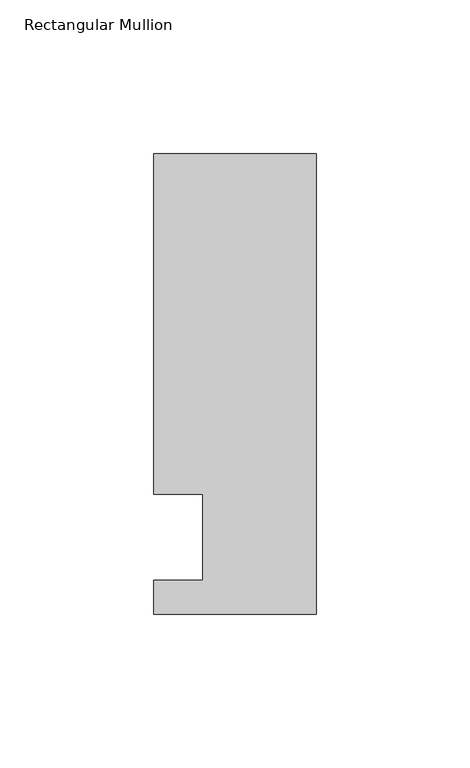
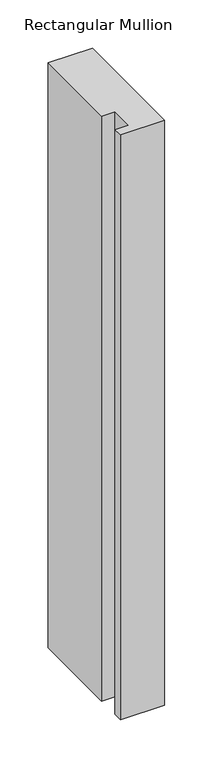
"""IFC4 building model written with IfcOpenShell, lengths in millimetres: member geometry, Rectangular Mullion."""

import ifcopenshell
import ifcopenshell.guid

model = None  # the IFC model being written
_history = None  # IfcOwnerHistory: only IFC2X3 demands one
_inside = {}  # id of a spatial element -> (the spatial element, [elements in it])
_under = {}  # id of a project, library or spatial element -> (it, [spatial elements below it])
_declared = {}  # id of a project -> (the project, [libraries it declares])
_typed = {}  # id of a type object -> (the type object, [elements of that type])
_made_of = {}  # id of a material, layer set ... -> (it, [elements and type objects made of it])


def new_model(schema):
    """Start an empty IFC model of exactly this schema.

    Asked for "IFC4X3", IfcOpenShell would pick the latest addendum, in which some entities
    have other attributes; the version numbers below select the first issue.
    IFC2X3 requires an IfcOwnerHistory on every rooted entity: one is made here for all.
    """
    global model, _history
    if schema == "IFC4X3":
        model = ifcopenshell.file(schema_version=(4, 3, 0, 0))
    else:
        model = ifcopenshell.file(schema=schema)
    _inside.clear()
    _under.clear()
    _declared.clear()
    _typed.clear()
    _made_of.clear()
    _history = None
    if model.schema == "IFC2X3":
        org = make("IfcOrganization", Name="unknown")
        user = make(
            "IfcPersonAndOrganization",
            ThePerson=make("IfcPerson", FamilyName="unknown"),
            TheOrganization=org,
        )
        app = make(
            "IfcApplication",
            ApplicationDeveloper=org,
            Version="unknown",
            ApplicationFullName="unknown",
            ApplicationIdentifier="unknown",
        )
        _history = make(
            "IfcOwnerHistory",
            OwningUser=user,
            OwningApplication=app,
            ChangeAction="ADDED",
            CreationDate=0,
        )
    return model


def make(cls, **values):
    """One entity of the class cls with the attributes given. An attribute that is None is left unset."""
    return model.create_entity(
        cls, **{name: value for name, value in values.items() if value is not None}
    )


def rooted(cls, **values):
    """An entity with a GlobalId (a new one), such as an element, a storey or a relation."""
    return make(cls, GlobalId=ifcopenshell.guid.new(), OwnerHistory=_history, **values)


def si_unit(unit_type, name, prefix=None):
    """IfcSIUnit, for example si_unit("LENGTHUNIT", "METRE", prefix="MILLI")."""
    return make("IfcSIUnit", UnitType=unit_type, Prefix=prefix, Name=name)


def assignment(units):
    """IfcUnitAssignment: the units of a project."""
    return None if units is None else make("IfcUnitAssignment", Units=units)


def point(xyz):
    """IfcCartesianPoint."""
    return None if xyz is None else make("IfcCartesianPoint", Coordinates=xyz)


def direction(xyz):
    """IfcDirection."""
    return None if xyz is None else make("IfcDirection", DirectionRatios=xyz)


def frame(location, z_axis=None, x_axis=None):
    """IfcAxis2Placement3D, a coordinate frame: its origin and axes. An axis left out is left unset."""
    return make(
        "IfcAxis2Placement3D",
        Location=point(location),
        Axis=direction(z_axis),
        RefDirection=direction(x_axis),
    )


def origin():
    """The frame at (0, 0, 0) with its axes left unset."""
    return frame((0.0, 0.0, 0.0))


def place(relative_to, where):
    """IfcLocalPlacement: puts the frame where relative to a parent placement (None: the world)."""
    return make(
        "IfcLocalPlacement", PlacementRelTo=relative_to, RelativePlacement=where
    )


def context(
    kind, dimensions, precision=None, world=None, true_north=None, identifier=None
):
    """IfcGeometricRepresentationContext, for example the 3D "Model" context."""
    return make(
        "IfcGeometricRepresentationContext",
        ContextIdentifier=identifier,
        ContextType=kind,
        CoordinateSpaceDimension=dimensions,
        Precision=precision,
        WorldCoordinateSystem=world,
        TrueNorth=true_north,
    )


def project(units=None, contexts=None):
    """IfcProject with its units and contexts."""
    return rooted(
        "IfcProject",
        Name="project",
        RepresentationContexts=contexts,
        UnitsInContext=assignment(units),
    )


def spatial(cls, under=None, at=None, **own):
    """A site, building, storey or space (cls), placed at a placement, below another one or the project."""
    s = rooted(cls, ObjectPlacement=at, **own)
    if under is not None:
        _under.setdefault(under.id(), (under, []))[1].append(s)
    return s


def polyline(points):
    """IfcPolyline through the points."""
    return make("IfcPolyline", Points=[point(p) for p in points])


def outline(outer, holes=None, kind="AREA"):
    """IfcArbitraryClosedProfileDef: a profile drawn as a closed curve; with holes, ...WithVoids."""
    if holes is None:
        return make("IfcArbitraryClosedProfileDef", ProfileType=kind, OuterCurve=outer)
    return make(
        "IfcArbitraryProfileDefWithVoids",
        ProfileType=kind,
        OuterCurve=outer,
        InnerCurves=holes,
    )


def extrude(swept, where, along, depth):
    """IfcExtrudedAreaSolid: the profile swept, set in the frame where, extruded along a direction by depth."""
    return make(
        "IfcExtrudedAreaSolid",
        SweptArea=swept,
        Position=where,
        ExtrudedDirection=direction(along),
        Depth=depth,
    )


def shape(context_of_items, identifier, shape_type, items):
    """IfcShapeRepresentation: the items that make up one representation, for example the "Body"."""
    return make(
        "IfcShapeRepresentation",
        ContextOfItems=context_of_items,
        RepresentationIdentifier=identifier,
        RepresentationType=shape_type,
        Items=items,
    )


def source(mapping_origin, context_of_items, identifier, shape_type, items):
    """IfcRepresentationMap: a shape defined once, which mapped items show again and again."""
    return make(
        "IfcRepresentationMap",
        MappingOrigin=mapping_origin,
        MappedRepresentation=shape(context_of_items, identifier, shape_type, items),
    )


def transform(
    local_origin,
    x_axis=None,
    y_axis=None,
    z_axis=None,
    scale=None,
    scale2=None,
    scale3=None,
    uniform=True,
):
    """IfcCartesianTransformationOperator3D, or its non-uniform kind. x_axis, y_axis, z_axis: its Axis1, 2, 3."""
    if uniform:
        return make(
            "IfcCartesianTransformationOperator3D",
            Axis1=direction(x_axis),
            Axis2=direction(y_axis),
            LocalOrigin=point(local_origin),
            Scale=scale,
            Axis3=direction(z_axis),
        )
    return make(
        "IfcCartesianTransformationOperator3DnonUniform",
        Axis1=direction(x_axis),
        Axis2=direction(y_axis),
        LocalOrigin=point(local_origin),
        Scale=scale,
        Axis3=direction(z_axis),
        Scale2=scale2,
        Scale3=scale3,
    )


def mapped(mapping_source, mapping_target):
    """IfcMappedItem: shows the shape of a source again, moved by a transform."""
    return make(
        "IfcMappedItem", MappingSource=mapping_source, MappingTarget=mapping_target
    )


def made_of(thing, what):
    """Note that an element or type object is made of a material, layer set ...; save() writes the relation."""
    if what is not None:
        _made_of.setdefault(what.id(), (what, []))[1].append(thing)
    return thing


def element(
    cls,
    number,
    at=None,
    inside=None,
    cuts=None,
    type_object=None,
    material=None,
    context=None,
    identifier="Body",
    shape_type=None,
    held_by="IfcProductDefinitionShape",
    body=None,
    shapes=None,
    **own,
):
    """One element of the class cls, such as IfcWall. Its Tag is "e" and its number.

    at: its placement. inside: the storey or other place that contains it. cuts: it is an
    opening in that element (IfcRelVoidsElement). A single representation is given by context,
    identifier, shape_type and body (its items); several are given by shapes. held_by: the class
    of the entity that holds the representations. save() writes the other relations.
    """
    e = rooted(cls, Tag="e%d" % number, ObjectPlacement=at, **own)
    if body is not None:
        shapes = [shape(context, identifier, shape_type, body)]
    if shapes is not None:
        e.Representation = make(held_by, Representations=shapes)
    if inside is not None:
        _inside.setdefault(inside.id(), (inside, []))[1].append(e)
    if cuts is not None:
        rooted(
            "IfcRelVoidsElement", RelatingBuildingElement=cuts, RelatedOpeningElement=e
        )
    if type_object is not None:
        _typed.setdefault(type_object.id(), (type_object, []))[1].append(e)
    return made_of(e, material)


def aggregate(whole, parts):
    """IfcRelAggregates: a whole, such as a stair, and the parts it consists of."""
    return rooted("IfcRelAggregates", RelatingObject=whole, RelatedObjects=parts)


def save(model, path):
    """Write the relations noted so far, then the file.

    IfcRelAggregates (storeys below a building ...), IfcRelContainedInSpatialStructure (elements
    in a storey), IfcRelDefinesByType, IfcRelAssociatesMaterial and IfcRelDeclares: one each for
    every whole, place, type object, material and project.
    """
    for whole, parts in _under.values():
        aggregate(whole, parts)
    for where, things in _inside.values():
        rooted(
            "IfcRelContainedInSpatialStructure",
            RelatedElements=things,
            RelatingStructure=where,
        )
    for kind, things in _typed.values():
        rooted("IfcRelDefinesByType", RelatedObjects=things, RelatingType=kind)
    for what, things in _made_of.values():
        rooted("IfcRelAssociatesMaterial", RelatedObjects=things, RelatingMaterial=what)
    for by, libraries in _declared.values():
        rooted("IfcRelDeclares", RelatingContext=by, RelatedDefinitions=libraries)
    model.write(path)


def rectangular_mullion_0c1a731f(model_context):
    return source(origin(), model_context, "Body", "SweptSolid", [
        extrude(outline(polyline([(-37.0, 14.0), (-53.0, 14.0), (-53.0, 125.0), (0.0, 125.0), (0.0, -25.0), (-53.0, -25.0), (-53.0, -14.0), (-37.0, -14.0), (-37.0, 14.0)])), frame((0.0, 0.0, -740.0), z_axis=(0.0, 0.0, 1.0), x_axis=(1.0, 0.0, 0.0)), (0.0, 0.0, 1.0), 740.0),
    ])


if __name__ == "__main__":
    model = new_model("IFC4")
    model_context = context("Model", 3, world=origin())
    ifc_project = project(units=[si_unit("LENGTHUNIT", "METRE", prefix="MILLI")], contexts=[model_context])
    site = spatial("IfcSite", under=ifc_project)
    building = spatial("IfcBuilding", under=site)
    placement = place(None, origin())
    rectangular_mullion_shape = rectangular_mullion_0c1a731f(model_context)
    element("IfcMember", 1, ObjectType="Rectangular Mullion", at=placement, inside=building, context=model_context, shape_type="MappedRepresentation", body=[
        mapped(rectangular_mullion_shape, transform((0.0, 0.0, 0.0), x_axis=(1.0, 0.0, 0.0), y_axis=(0.0, 1.0, 0.0), z_axis=(0.0, 0.0, 1.0))),
    ])
    save(model, "model.ifc")
